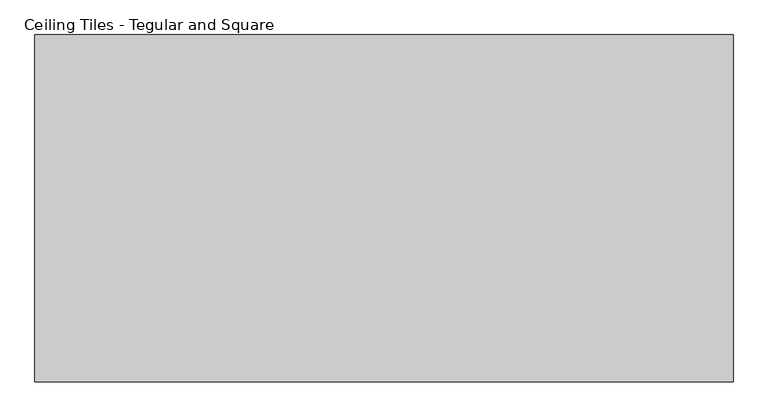
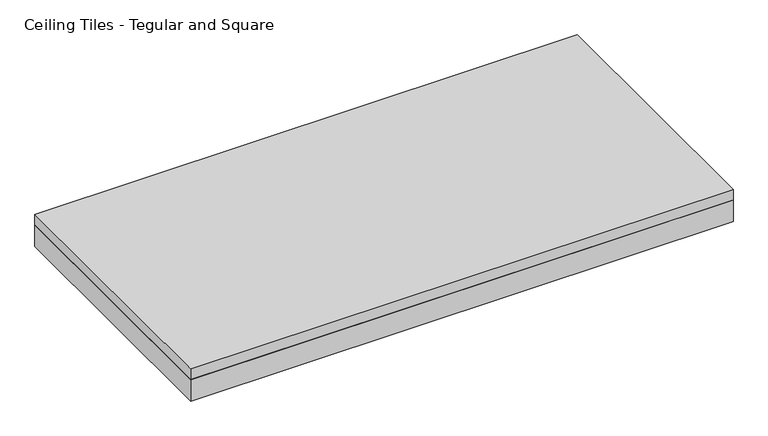
"""IFC4 building model written with IfcOpenShell, lengths in millimetres: proxy geometry, Ceiling Tiles - Tegular and Square."""

import ifcopenshell
import ifcopenshell.guid

model = None  # the IFC model being written
_history = None  # IfcOwnerHistory: only IFC2X3 demands one
_inside = {}  # id of a spatial element -> (the spatial element, [elements in it])
_under = {}  # id of a project, library or spatial element -> (it, [spatial elements below it])
_declared = {}  # id of a project -> (the project, [libraries it declares])
_typed = {}  # id of a type object -> (the type object, [elements of that type])
_made_of = {}  # id of a material, layer set ... -> (it, [elements and type objects made of it])


def new_model(schema):
    """Start an empty IFC model of exactly this schema.

    Asked for "IFC4X3", IfcOpenShell would pick the latest addendum, in which some entities
    have other attributes; the version numbers below select the first issue.
    IFC2X3 requires an IfcOwnerHistory on every rooted entity: one is made here for all.
    """
    global model, _history
    if schema == "IFC4X3":
        model = ifcopenshell.file(schema_version=(4, 3, 0, 0))
    else:
        model = ifcopenshell.file(schema=schema)
    _inside.clear()
    _under.clear()
    _declared.clear()
    _typed.clear()
    _made_of.clear()
    _history = None
    if model.schema == "IFC2X3":
        org = make("IfcOrganization", Name="unknown")
        user = make(
            "IfcPersonAndOrganization",
            ThePerson=make("IfcPerson", FamilyName="unknown"),
            TheOrganization=org,
        )
        app = make(
            "IfcApplication",
            ApplicationDeveloper=org,
            Version="unknown",
            ApplicationFullName="unknown",
            ApplicationIdentifier="unknown",
        )
        _history = make(
            "IfcOwnerHistory",
            OwningUser=user,
            OwningApplication=app,
            ChangeAction="ADDED",
            CreationDate=0,
        )
    return model


def make(cls, **values):
    """One entity of the class cls with the attributes given. An attribute that is None is left unset."""
    return model.create_entity(
        cls, **{name: value for name, value in values.items() if value is not None}
    )


def rooted(cls, **values):
    """An entity with a GlobalId (a new one), such as an element, a storey or a relation."""
    return make(cls, GlobalId=ifcopenshell.guid.new(), OwnerHistory=_history, **values)


def si_unit(unit_type, name, prefix=None):
    """IfcSIUnit, for example si_unit("LENGTHUNIT", "METRE", prefix="MILLI")."""
    return make("IfcSIUnit", UnitType=unit_type, Prefix=prefix, Name=name)


def assignment(units):
    """IfcUnitAssignment: the units of a project."""
    return None if units is None else make("IfcUnitAssignment", Units=units)


def point(xyz):
    """IfcCartesianPoint."""
    return None if xyz is None else make("IfcCartesianPoint", Coordinates=xyz)


def direction(xyz):
    """IfcDirection."""
    return None if xyz is None else make("IfcDirection", DirectionRatios=xyz)


def frame(location, z_axis=None, x_axis=None):
    """IfcAxis2Placement3D, a coordinate frame: its origin and axes. An axis left out is left unset."""
    return make(
        "IfcAxis2Placement3D",
        Location=point(location),
        Axis=direction(z_axis),
        RefDirection=direction(x_axis),
    )


def origin():
    """The frame at (0, 0, 0) with its axes left unset."""
    return frame((0.0, 0.0, 0.0))


def origin_with_axes():
    """The frame at (0, 0, 0) with the z axis (0, 0, 1) and the x axis (1, 0, 0) written out."""
    return frame((0.0, 0.0, 0.0), z_axis=(0.0, 0.0, 1.0), x_axis=(1.0, 0.0, 0.0))


def place(relative_to, where):
    """IfcLocalPlacement: puts the frame where relative to a parent placement (None: the world)."""
    return make(
        "IfcLocalPlacement", PlacementRelTo=relative_to, RelativePlacement=where
    )


def context(
    kind, dimensions, precision=None, world=None, true_north=None, identifier=None
):
    """IfcGeometricRepresentationContext, for example the 3D "Model" context."""
    return make(
        "IfcGeometricRepresentationContext",
        ContextIdentifier=identifier,
        ContextType=kind,
        CoordinateSpaceDimension=dimensions,
        Precision=precision,
        WorldCoordinateSystem=world,
        TrueNorth=true_north,
    )


def project(units=None, contexts=None):
    """IfcProject with its units and contexts."""
    return rooted(
        "IfcProject",
        Name="project",
        RepresentationContexts=contexts,
        UnitsInContext=assignment(units),
    )


def spatial(cls, under=None, at=None, **own):
    """A site, building, storey or space (cls), placed at a placement, below another one or the project."""
    s = rooted(cls, ObjectPlacement=at, **own)
    if under is not None:
        _under.setdefault(under.id(), (under, []))[1].append(s)
    return s


def polyline(points):
    """IfcPolyline through the points."""
    return make("IfcPolyline", Points=[point(p) for p in points])


def outline(outer, holes=None, kind="AREA"):
    """IfcArbitraryClosedProfileDef: a profile drawn as a closed curve; with holes, ...WithVoids."""
    if holes is None:
        return make("IfcArbitraryClosedProfileDef", ProfileType=kind, OuterCurve=outer)
    return make(
        "IfcArbitraryProfileDefWithVoids",
        ProfileType=kind,
        OuterCurve=outer,
        InnerCurves=holes,
    )


def extrude(swept, where, along, depth):
    """IfcExtrudedAreaSolid: the profile swept, set in the frame where, extruded along a direction by depth."""
    return make(
        "IfcExtrudedAreaSolid",
        SweptArea=swept,
        Position=where,
        ExtrudedDirection=direction(along),
        Depth=depth,
    )


def shape(context_of_items, identifier, shape_type, items):
    """IfcShapeRepresentation: the items that make up one representation, for example the "Body"."""
    return make(
        "IfcShapeRepresentation",
        ContextOfItems=context_of_items,
        RepresentationIdentifier=identifier,
        RepresentationType=shape_type,
        Items=items,
    )


def source(mapping_origin, context_of_items, identifier, shape_type, items):
    """IfcRepresentationMap: a shape defined once, which mapped items show again and again."""
    return make(
        "IfcRepresentationMap",
        MappingOrigin=mapping_origin,
        MappedRepresentation=shape(context_of_items, identifier, shape_type, items),
    )


def transform(
    local_origin,
    x_axis=None,
    y_axis=None,
    z_axis=None,
    scale=None,
    scale2=None,
    scale3=None,
    uniform=True,
):
    """IfcCartesianTransformationOperator3D, or its non-uniform kind. x_axis, y_axis, z_axis: its Axis1, 2, 3."""
    if uniform:
        return make(
            "IfcCartesianTransformationOperator3D",
            Axis1=direction(x_axis),
            Axis2=direction(y_axis),
            LocalOrigin=point(local_origin),
            Scale=scale,
            Axis3=direction(z_axis),
        )
    return make(
        "IfcCartesianTransformationOperator3DnonUniform",
        Axis1=direction(x_axis),
        Axis2=direction(y_axis),
        LocalOrigin=point(local_origin),
        Scale=scale,
        Axis3=direction(z_axis),
        Scale2=scale2,
        Scale3=scale3,
    )


def mapped(mapping_source, mapping_target):
    """IfcMappedItem: shows the shape of a source again, moved by a transform."""
    return make(
        "IfcMappedItem", MappingSource=mapping_source, MappingTarget=mapping_target
    )


def made_of(thing, what):
    """Note that an element or type object is made of a material, layer set ...; save() writes the relation."""
    if what is not None:
        _made_of.setdefault(what.id(), (what, []))[1].append(thing)
    return thing


def element(
    cls,
    number,
    at=None,
    inside=None,
    cuts=None,
    type_object=None,
    material=None,
    context=None,
    identifier="Body",
    shape_type=None,
    held_by="IfcProductDefinitionShape",
    body=None,
    shapes=None,
    **own,
):
    """One element of the class cls, such as IfcWall. Its Tag is "e" and its number.

    at: its placement. inside: the storey or other place that contains it. cuts: it is an
    opening in that element (IfcRelVoidsElement). A single representation is given by context,
    identifier, shape_type and body (its items); several are given by shapes. held_by: the class
    of the entity that holds the representations. save() writes the other relations.
    """
    e = rooted(cls, Tag="e%d" % number, ObjectPlacement=at, **own)
    if body is not None:
        shapes = [shape(context, identifier, shape_type, body)]
    if shapes is not None:
        e.Representation = make(held_by, Representations=shapes)
    if inside is not None:
        _inside.setdefault(inside.id(), (inside, []))[1].append(e)
    if cuts is not None:
        rooted(
            "IfcRelVoidsElement", RelatingBuildingElement=cuts, RelatedOpeningElement=e
        )
    if type_object is not None:
        _typed.setdefault(type_object.id(), (type_object, []))[1].append(e)
    return made_of(e, material)


def aggregate(whole, parts):
    """IfcRelAggregates: a whole, such as a stair, and the parts it consists of."""
    return rooted("IfcRelAggregates", RelatingObject=whole, RelatedObjects=parts)


def save(model, path):
    """Write the relations noted so far, then the file.

    IfcRelAggregates (storeys below a building ...), IfcRelContainedInSpatialStructure (elements
    in a storey), IfcRelDefinesByType, IfcRelAssociatesMaterial and IfcRelDeclares: one each for
    every whole, place, type object, material and project.
    """
    for whole, parts in _under.values():
        aggregate(whole, parts)
    for where, things in _inside.values():
        rooted(
            "IfcRelContainedInSpatialStructure",
            RelatedElements=things,
            RelatingStructure=where,
        )
    for kind, things in _typed.values():
        rooted("IfcRelDefinesByType", RelatedObjects=things, RelatingType=kind)
    for what, things in _made_of.values():
        rooted("IfcRelAssociatesMaterial", RelatedObjects=things, RelatingMaterial=what)
    for by, libraries in _declared.values():
        rooted("IfcRelDeclares", RelatingContext=by, RelatedDefinitions=libraries)
    model.write(path)


def ceiling_tiles_tegular_and_square_19fe3ffe(model_context):
    return source(origin(), model_context, "Body", "SweptSolid", [
        extrude(outline(polyline([(606.425, 301.625), (606.425, -301.625), (-606.425, -301.625), (-606.425, 301.625), (606.425, 301.625)])), origin_with_axes(), (0.0, 0.0, 1.0), 50.8),
        extrude(outline(polyline([(-606.425, 301.625), (606.425, 301.625), (606.425, -301.625), (-606.425, -301.625), (-606.425, 301.625)])), frame((0.0, 0.0, 50.8), z_axis=(0.0, 0.0, 1.0), x_axis=(1.0, 0.0, 0.0)), (0.0, 0.0, 1.0), 25.4),
    ])


if __name__ == "__main__":
    model = new_model("IFC4")
    model_context = context("Model", 3, world=origin())
    ifc_project = project(units=[si_unit("LENGTHUNIT", "METRE", prefix="MILLI")], contexts=[model_context])
    site = spatial("IfcSite", under=ifc_project)
    building = spatial("IfcBuilding", under=site)
    placement = place(None, origin())
    ceiling_tiles_tegular_and_square_shape = ceiling_tiles_tegular_and_square_19fe3ffe(model_context)
    element("IfcBuildingElementProxy", 1, Name="Ceiling Tiles - Tegular and Square", ObjectType="Ceiling Tiles - Tegular and Square", at=placement, inside=building, context=model_context, shape_type="MappedRepresentation", body=[
        mapped(ceiling_tiles_tegular_and_square_shape, transform((0.0, 0.0, 0.0), x_axis=(1.0, 0.0, 0.0), y_axis=(0.0, 1.0, 0.0), z_axis=(0.0, 0.0, 1.0))),
    ])
    save(model, "model.ifc")
